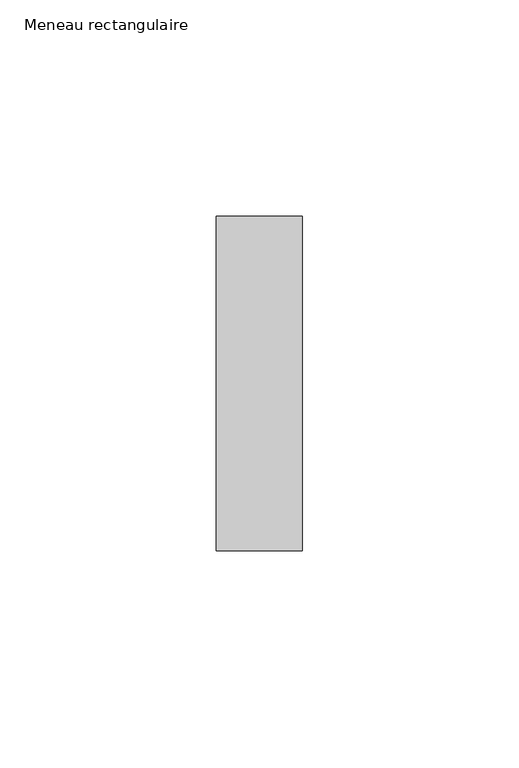
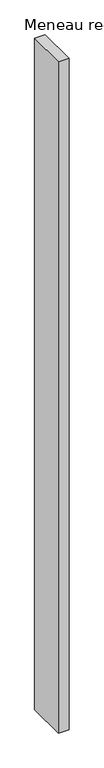
"""IFC4 building model written with IfcOpenShell, lengths in millimetres: member geometry, Meneau rectangulaire."""

from ifc_helpers import new_model, si_unit, frame, origin, place, context, project, spatial, polyline, outline, extrude, source, transform, mapped, element, save


def meneau_rectangulaire_512ba0ec(model_context):
    return source(origin(), model_context, "Body", "SweptSolid", [
        extrude(outline(polyline([(0.0, 38.75), (0.0, -38.75), (-20.0, -38.75), (-20.0, 38.75), (0.0, 38.75)])), frame((0.0, 0.0, -1341.3333335), z_axis=(0.0, 0.0, 1.0), x_axis=(1.0, 0.0, 0.0)), (0.0, 0.0, 1.0), 1341.3333335),
    ])


if __name__ == "__main__":
    model = new_model("IFC4")
    model_context = context("Model", 3, world=origin())
    ifc_project = project(units=[si_unit("LENGTHUNIT", "METRE", prefix="MILLI")], contexts=[model_context])
    site = spatial("IfcSite", under=ifc_project)
    building = spatial("IfcBuilding", under=site)
    placement = place(None, origin())
    meneau_rectangulaire_shape = meneau_rectangulaire_512ba0ec(model_context)
    element("IfcMember", 1, ObjectType="Meneau rectangulaire", at=placement, inside=building, context=model_context, shape_type="MappedRepresentation", body=[
        mapped(meneau_rectangulaire_shape, transform((0.0, 0.0, 0.0), x_axis=(1.0, 0.0, 0.0), y_axis=(0.0, 1.0, 0.0), z_axis=(0.0, 0.0, 1.0))),
    ])
    save(model, "model.ifc")
